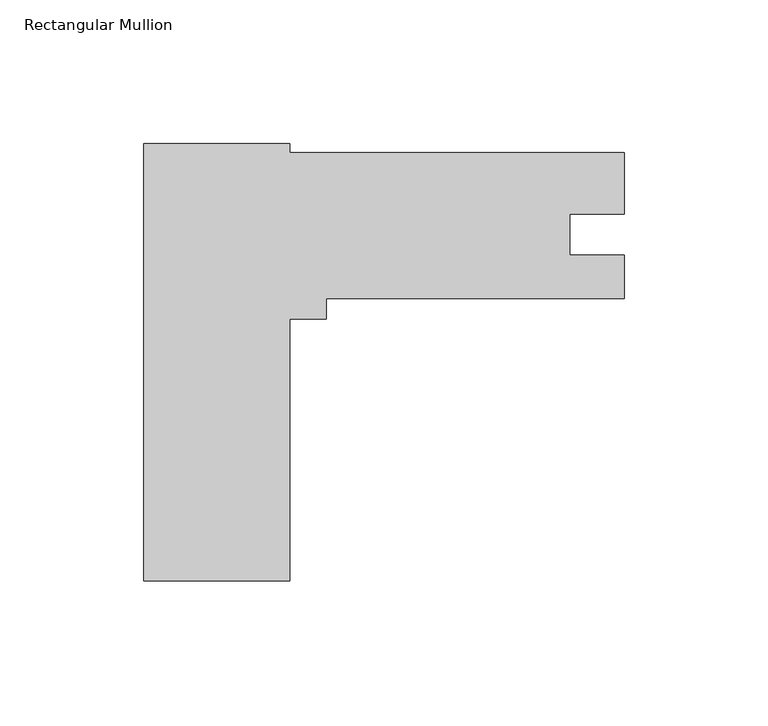
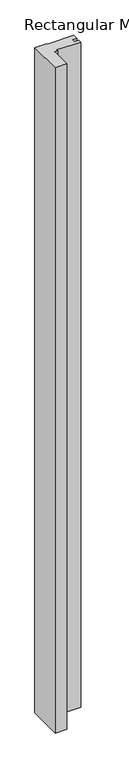
"""IFC4 building model written with IfcOpenShell, lengths in millimetres: member geometry, Rectangular Mullion."""

from ifc_helpers import new_model, si_unit, frame, origin, place, context, project, spatial, polyline, outline, extrude, source, transform, mapped, element, save


def rectangular_mullion_742b1d58(model_context):
    return source(origin(), model_context, "Body", "SweptSolid", [
        extrude(outline(polyline([(-116.5860013, -76.1999365), (-167.3860013, -76.1999365), (-167.3860013, 76.1999365), (-116.5860013, 76.1999365), (-116.5860013, 73.0249365), (-1.3e-06, 73.0249365), (-1.3e-06, 51.6419354), (-19.0246, 51.6419354), (-19.0246, 37.3252365), (0.0, 37.3252365), (0.0, 22.2249365), (-103.8860013, 22.2249365), (-103.8860013, 15.0659465), (-116.5860013, 15.0659465), (-116.5860013, -76.1999365)])), frame((0.0, 0.0, -3048.0), z_axis=(0.0, 0.0, 1.0), x_axis=(1.0, 0.0, 0.0)), (0.0, 0.0, 1.0), 3048.0),
    ])


if __name__ == "__main__":
    model = new_model("IFC4")
    model_context = context("Model", 3, world=origin())
    ifc_project = project(units=[si_unit("LENGTHUNIT", "METRE", prefix="MILLI")], contexts=[model_context])
    site = spatial("IfcSite", under=ifc_project)
    building = spatial("IfcBuilding", under=site)
    placement = place(None, origin())
    rectangular_mullion_shape = rectangular_mullion_742b1d58(model_context)
    element("IfcMember", 1, ObjectType="Rectangular Mullion", at=placement, inside=building, context=model_context, shape_type="MappedRepresentation", body=[
        mapped(rectangular_mullion_shape, transform((0.0, 0.0, 0.0), x_axis=(1.0, 0.0, 0.0), y_axis=(0.0, 1.0, 0.0), z_axis=(0.0, 0.0, 1.0))),
    ])
    save(model, "model.ifc")
